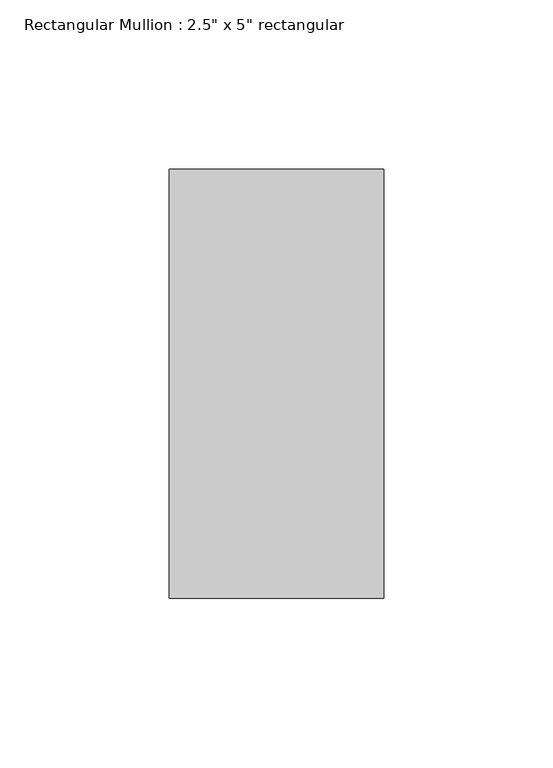
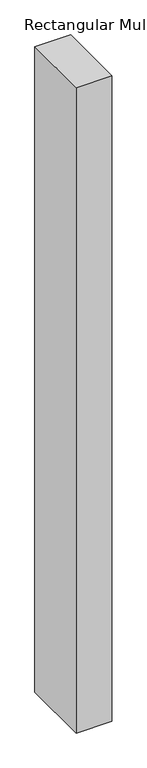
"""IFC4 building model written with IfcOpenShell, lengths in millimetres: member geometry."""

from ifc_helpers import new_model, si_unit, frame, origin, place, context, project, spatial, polyline, outline, extrude, source, transform, mapped, element, save


def member_46fdcf31(model_context):
    return source(origin(), model_context, "Body", "SweptSolid", [
        extrude(outline(polyline([(0.0, 63.5), (0.0, -63.5), (-63.5, -63.5), (-63.5, 63.5), (0.0, 63.5)])), frame((0.0, 0.0, -1216.66), z_axis=(0.0, 0.0, 1.0), x_axis=(1.0, 0.0, 0.0)), (0.0, 0.0, 1.0), 1216.66),
    ])


if __name__ == "__main__":
    model = new_model("IFC4")
    model_context = context("Model", 3, world=origin())
    ifc_project = project(units=[si_unit("LENGTHUNIT", "METRE", prefix="MILLI")], contexts=[model_context])
    site = spatial("IfcSite", under=ifc_project)
    building = spatial("IfcBuilding", under=site)
    placement = place(None, origin())
    member_shape = member_46fdcf31(model_context)
    element("IfcMember", 1, ObjectType="Rectangular Mullion : 2.5\" x 5\" rectangular", at=placement, inside=building, context=model_context, shape_type="MappedRepresentation", body=[
        mapped(member_shape, transform((0.0, 0.0, 0.0), x_axis=(1.0, 0.0, 0.0), y_axis=(0.0, 1.0, 0.0), z_axis=(0.0, 0.0, 1.0))),
    ])
    save(model, "model.ifc")
